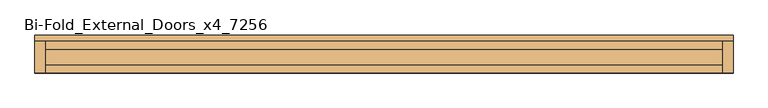
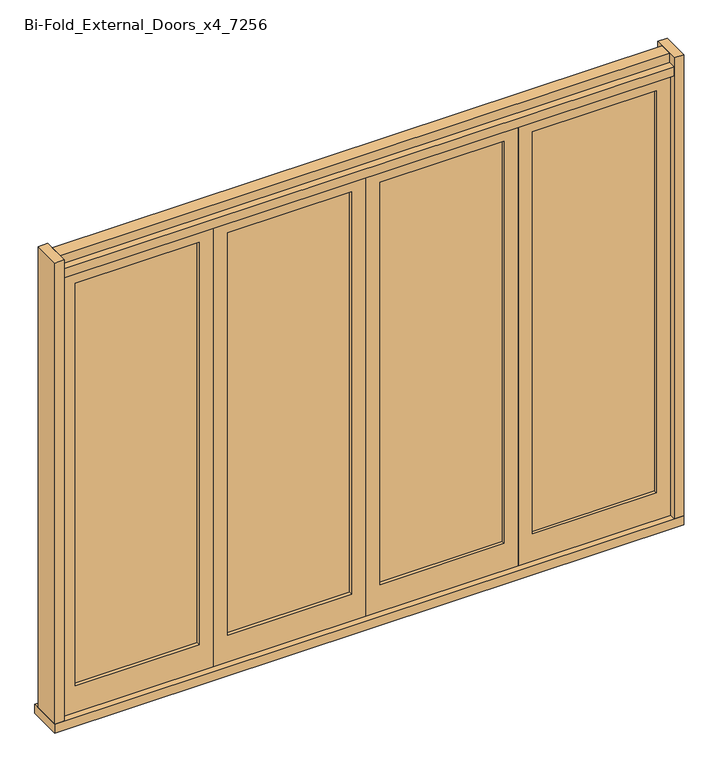
"""IFC4 building model written with IfcOpenShell, lengths in millimetres: door geometry, Bi-Fold_External_Doors_x4_7256."""

from ifc_helpers import new_model, si_unit, frame, origin, origin_with_axes, place, context, project, spatial, polyline, outline, extrude, source, transform, mapped, element, save


def bi_fold_external_doors_x4_7256_8e097034(model_context):
    return source(origin(), model_context, "Body", "SweptSolid", [
        extrude(outline(polyline([(-1525.0, -8.0), (-875.0, -8.0), (-875.0, -12.0), (-1525.0, -12.0), (-1525.0, -8.0)])), frame((0.0, 0.0, 150.0), z_axis=(0.0, 0.0, 1.0), x_axis=(1.0, 0.0, 0.0)), (0.0, 0.0, 1.0), 2230.0),
        extrude(outline(polyline([(0.0, -1600.0), (0.0, -800.0), (2455.0, -800.0), (2455.0, -1600.0), (0.0, -1600.0)]), holes=[polyline([(2380.0, -875.0), (150.0, -875.0), (150.0, -1525.0), (2380.0, -1525.0), (2380.0, -875.0)])]), frame((0.0, -30.0, 0.0), z_axis=(0.0, 1.0, 0.0), x_axis=(0.0, 0.0, 1.0)), (0.0, 0.0, 1.0), 40.0),
        extrude(outline(polyline([(-725.0, -8.0), (-75.0, -8.0), (-75.0, -12.0), (-725.0, -12.0), (-725.0, -8.0)])), frame((0.0, 0.0, 150.0), z_axis=(0.0, 0.0, 1.0), x_axis=(1.0, 0.0, 0.0)), (0.0, 0.0, 1.0), 2230.0),
        extrude(outline(polyline([(0.0, -800.0), (0.0, 0.0), (2455.0, 0.0), (2455.0, -800.0), (0.0, -800.0)]), holes=[polyline([(2380.0, -75.0), (150.0, -75.0), (150.0, -725.0), (2380.0, -725.0), (2380.0, -75.0)])]), frame((0.0, -30.0, 0.0), z_axis=(0.0, 1.0, 0.0), x_axis=(0.0, 0.0, 1.0)), (0.0, 0.0, 1.0), 40.0),
        extrude(outline(polyline([(75.0, -8.0), (725.0, -8.0), (725.0, -12.0), (75.0, -12.0), (75.0, -8.0)])), frame((0.0, 0.0, 150.0), z_axis=(0.0, 0.0, 1.0), x_axis=(1.0, 0.0, 0.0)), (0.0, 0.0, 1.0), 2230.0),
        extrude(outline(polyline([(0.0, 0.0), (0.0, 800.0), (2455.0, 800.0), (2455.0, 0.0), (0.0, 0.0)]), holes=[polyline([(2380.0, 725.0), (150.0, 725.0), (150.0, 75.0), (2380.0, 75.0), (2380.0, 725.0)])]), frame((0.0, -30.0, 0.0), z_axis=(0.0, 1.0, 0.0), x_axis=(0.0, 0.0, 1.0)), (0.0, 0.0, 1.0), 40.0),
        extrude(outline(polyline([(875.0, -8.0), (1525.0, -8.0), (1525.0, -12.0), (875.0, -12.0), (875.0, -8.0)])), frame((0.0, 0.0, 150.0), z_axis=(0.0, 0.0, 1.0), x_axis=(1.0, 0.0, 0.0)), (0.0, 0.0, 1.0), 2230.0),
        extrude(outline(polyline([(0.0, 800.0), (0.0, 1600.0), (2455.0, 1600.0), (2455.0, 800.0), (0.0, 800.0)]), holes=[polyline([(2380.0, 1525.0), (150.0, 1525.0), (150.0, 875.0), (2380.0, 875.0), (2380.0, 1525.0)])]), frame((0.0, -30.0, 0.0), z_axis=(0.0, 1.0, 0.0), x_axis=(0.0, 0.0, 1.0)), (0.0, 0.0, 1.0), 40.0),
        extrude(outline(polyline([(-1600.0, -62.0), (-1650.0, -62.0), (-1650.0, 88.0), (-1600.0, 88.0), (-1600.0, -62.0)])), origin_with_axes(), (0.0, 0.0, 1.0), 2555.0),
        extrude(outline(polyline([(1600.0, -62.0), (1600.0, 88.0), (1650.0, 88.0), (1650.0, -62.0), (1600.0, -62.0)])), origin_with_axes(), (0.0, 0.0, 1.0), 2555.0),
        extrude(outline(polyline([(1650.0, 118.0), (1650.0, -62.0), (-1650.0, -62.0), (-1650.0, 118.0), (1650.0, 118.0)])), frame((0.0, 0.0, -50.0), z_axis=(0.0, 0.0, 1.0), x_axis=(1.0, 0.0, 0.0)), (0.0, 0.0, 1.0), 50.0),
        extrude(outline(polyline([(88.0, 2455.0), (-62.0, 2455.0), (-62.0, 2505.0), (-22.0, 2505.0), (-22.0, 2555.0), (48.0, 2555.0), (48.0, 2505.0), (88.0, 2505.0), (88.0, 2455.0)])), frame((-1600.0, 0.0, 0.0), z_axis=(1.0, 0.0, 0.0), x_axis=(0.0, 1.0, 0.0)), (0.0, 0.0, 1.0), 3200.0),
    ])


if __name__ == "__main__":
    model = new_model("IFC4")
    model_context = context("Model", 3, world=origin())
    ifc_project = project(units=[si_unit("LENGTHUNIT", "METRE", prefix="MILLI")], contexts=[model_context])
    site = spatial("IfcSite", under=ifc_project)
    building = spatial("IfcBuilding", under=site)
    placement = place(None, origin())
    bi_fold_external_doors_x4_7256_shape = bi_fold_external_doors_x4_7256_8e097034(model_context)
    element("IfcDoor", 1, ObjectType="Bi-Fold_External_Doors_x4_7256", at=placement, inside=building, context=model_context, shape_type="MappedRepresentation", body=[
        mapped(bi_fold_external_doors_x4_7256_shape, transform((0.0, 0.0, 0.0), x_axis=(1.0, 0.0, 0.0), y_axis=(0.0, 1.0, 0.0), z_axis=(0.0, 0.0, 1.0))),
    ])
    save(model, "model.ifc")
